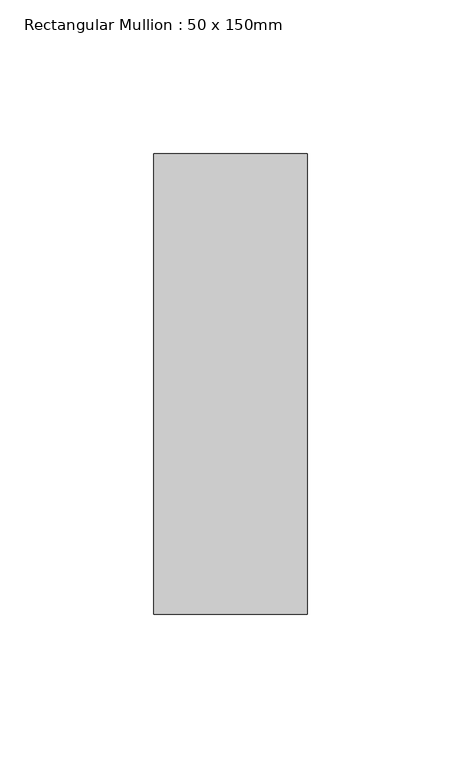
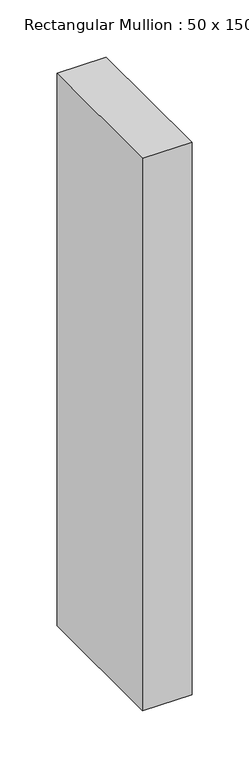
"""IFC4 building model written with IfcOpenShell, lengths in millimetres: member geometry, Rectangular Mullion : 50 x 150mm."""

from ifc_helpers import new_model, si_unit, frame, origin, place, context, project, spatial, polyline, outline, extrude, source, transform, mapped, element, save


def rectangular_mullion_50_x_150mm_96f76012(model_context):
    return source(origin(), model_context, "Body", "SweptSolid", [
        extrude(outline(polyline([(25.0, 75.0), (25.0, -75.0), (-25.0, -75.0), (-25.0, 75.0), (25.0, 75.0)])), frame((0.0, 0.0, -591.0), z_axis=(0.0, 0.0, 1.0), x_axis=(1.0, 0.0, 0.0)), (0.0, 0.0, 1.0), 591.0),
    ])


if __name__ == "__main__":
    model = new_model("IFC4")
    model_context = context("Model", 3, world=origin())
    ifc_project = project(units=[si_unit("LENGTHUNIT", "METRE", prefix="MILLI")], contexts=[model_context])
    site = spatial("IfcSite", under=ifc_project)
    building = spatial("IfcBuilding", under=site)
    placement = place(None, origin())
    rectangular_mullion_50_x_150mm_shape = rectangular_mullion_50_x_150mm_96f76012(model_context)
    element("IfcMember", 1, ObjectType="Rectangular Mullion : 50 x 150mm", at=placement, inside=building, context=model_context, shape_type="MappedRepresentation", body=[
        mapped(rectangular_mullion_50_x_150mm_shape, transform((0.0, 0.0, 0.0), x_axis=(1.0, 0.0, 0.0), y_axis=(0.0, 1.0, 0.0), z_axis=(0.0, 0.0, 1.0))),
    ])
    save(model, "model.ifc")
